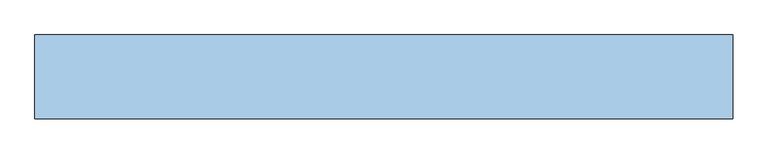
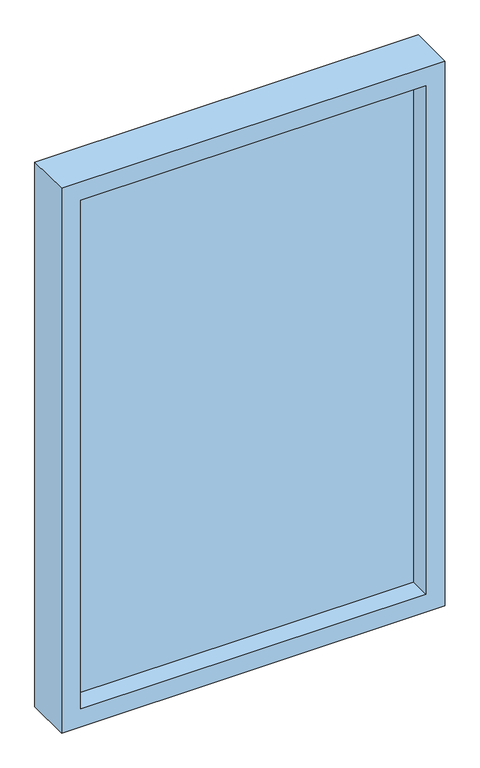
"""IFC4 building model written with IfcOpenShell, lengths in millimetres: window geometry."""

from ifc_helpers import new_model, si_unit, frame, origin, place, context, project, spatial, polyline, outline, extrude, source, transform, mapped, element, save


def window_66d724b5(model_context):
    return source(origin(), model_context, "Body", "SweptSolid", [
        extrude(outline(polyline([(450.0, 85.0), (-450.0, 85.0), (-450.0, 95.0), (450.0, 95.0), (450.0, 85.0)])), frame((0.0, 0.0, 850.0), z_axis=(0.0, 0.0, 1.0), x_axis=(1.0, 0.0, 0.0)), (0.0, 0.0, 1.0), 1400.0),
        extrude(outline(polyline([(2300.0, 500.0), (2300.0, -500.0), (800.0, -500.0), (800.0, 500.0), (2300.0, 500.0)]), holes=[polyline([(850.0, 450.0), (850.0, -450.0), (2250.0, -450.0), (2250.0, 450.0), (850.0, 450.0)])]), frame((0.0, 30.0, 0.0), z_axis=(0.0, 1.0, 0.0), x_axis=(0.0, 0.0, 1.0)), (0.0, 0.0, 1.0), 120.0),
    ])


if __name__ == "__main__":
    model = new_model("IFC4")
    model_context = context("Model", 3, world=origin())
    ifc_project = project(units=[si_unit("LENGTHUNIT", "METRE", prefix="MILLI")], contexts=[model_context])
    site = spatial("IfcSite", under=ifc_project)
    building = spatial("IfcBuilding", under=site)
    placement = place(None, origin())
    window_shape = window_66d724b5(model_context)
    element("IfcWindow", 1, at=placement, inside=building, context=model_context, shape_type="MappedRepresentation", body=[
        mapped(window_shape, transform((0.0, 0.0, 0.0), x_axis=(1.0, 0.0, 0.0), y_axis=(0.0, 1.0, 0.0), z_axis=(0.0, 0.0, 1.0))),
    ])
    save(model, "model.ifc")
